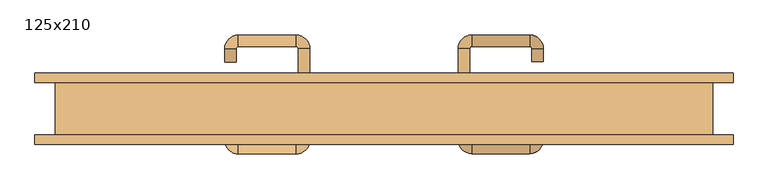
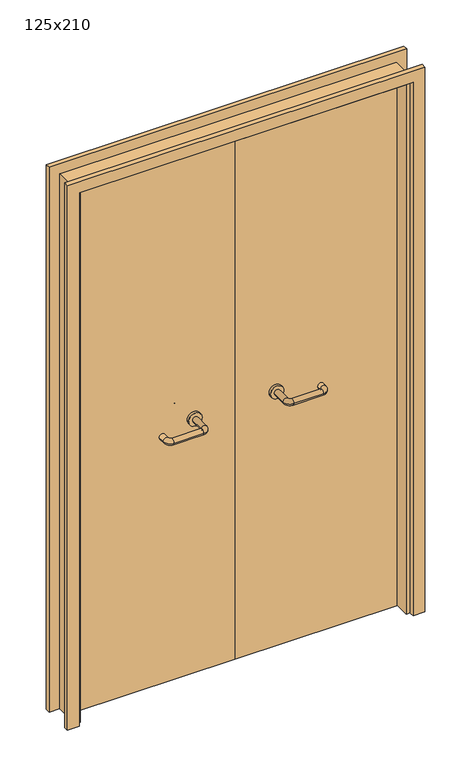
"""IFC4 building model written with IfcOpenShell, lengths in millimetres: door geometry, 125x210."""

import ifcopenshell
import ifcopenshell.guid

model = None  # the IFC model being written
_history = None  # IfcOwnerHistory: only IFC2X3 demands one
_inside = {}  # id of a spatial element -> (the spatial element, [elements in it])
_under = {}  # id of a project, library or spatial element -> (it, [spatial elements below it])
_declared = {}  # id of a project -> (the project, [libraries it declares])
_typed = {}  # id of a type object -> (the type object, [elements of that type])
_made_of = {}  # id of a material, layer set ... -> (it, [elements and type objects made of it])


def new_model(schema):
    """Start an empty IFC model of exactly this schema.

    Asked for "IFC4X3", IfcOpenShell would pick the latest addendum, in which some entities
    have other attributes; the version numbers below select the first issue.
    IFC2X3 requires an IfcOwnerHistory on every rooted entity: one is made here for all.
    """
    global model, _history
    if schema == "IFC4X3":
        model = ifcopenshell.file(schema_version=(4, 3, 0, 0))
    else:
        model = ifcopenshell.file(schema=schema)
    _inside.clear()
    _under.clear()
    _declared.clear()
    _typed.clear()
    _made_of.clear()
    _history = None
    if model.schema == "IFC2X3":
        org = make("IfcOrganization", Name="unknown")
        user = make(
            "IfcPersonAndOrganization",
            ThePerson=make("IfcPerson", FamilyName="unknown"),
            TheOrganization=org,
        )
        app = make(
            "IfcApplication",
            ApplicationDeveloper=org,
            Version="unknown",
            ApplicationFullName="unknown",
            ApplicationIdentifier="unknown",
        )
        _history = make(
            "IfcOwnerHistory",
            OwningUser=user,
            OwningApplication=app,
            ChangeAction="ADDED",
            CreationDate=0,
        )
    return model


def make(cls, **values):
    """One entity of the class cls with the attributes given. An attribute that is None is left unset."""
    return model.create_entity(
        cls, **{name: value for name, value in values.items() if value is not None}
    )


def rooted(cls, **values):
    """An entity with a GlobalId (a new one), such as an element, a storey or a relation."""
    return make(cls, GlobalId=ifcopenshell.guid.new(), OwnerHistory=_history, **values)


def si_unit(unit_type, name, prefix=None):
    """IfcSIUnit, for example si_unit("LENGTHUNIT", "METRE", prefix="MILLI")."""
    return make("IfcSIUnit", UnitType=unit_type, Prefix=prefix, Name=name)


def assignment(units):
    """IfcUnitAssignment: the units of a project."""
    return None if units is None else make("IfcUnitAssignment", Units=units)


def point(xyz):
    """IfcCartesianPoint."""
    return None if xyz is None else make("IfcCartesianPoint", Coordinates=xyz)


def direction(xyz):
    """IfcDirection."""
    return None if xyz is None else make("IfcDirection", DirectionRatios=xyz)


def frame(location, z_axis=None, x_axis=None):
    """IfcAxis2Placement3D, a coordinate frame: its origin and axes. An axis left out is left unset."""
    return make(
        "IfcAxis2Placement3D",
        Location=point(location),
        Axis=direction(z_axis),
        RefDirection=direction(x_axis),
    )


def frame_2d(location, x_axis=None):
    """IfcAxis2Placement2D, a coordinate frame in the plane: its origin and x axis."""
    return make(
        "IfcAxis2Placement2D", Location=point(location), RefDirection=direction(x_axis)
    )


def origin():
    """The frame at (0, 0, 0) with its axes left unset."""
    return frame((0.0, 0.0, 0.0))


def place(relative_to, where):
    """IfcLocalPlacement: puts the frame where relative to a parent placement (None: the world)."""
    return make(
        "IfcLocalPlacement", PlacementRelTo=relative_to, RelativePlacement=where
    )


def context(
    kind, dimensions, precision=None, world=None, true_north=None, identifier=None
):
    """IfcGeometricRepresentationContext, for example the 3D "Model" context."""
    return make(
        "IfcGeometricRepresentationContext",
        ContextIdentifier=identifier,
        ContextType=kind,
        CoordinateSpaceDimension=dimensions,
        Precision=precision,
        WorldCoordinateSystem=world,
        TrueNorth=true_north,
    )


def project(units=None, contexts=None):
    """IfcProject with its units and contexts."""
    return rooted(
        "IfcProject",
        Name="project",
        RepresentationContexts=contexts,
        UnitsInContext=assignment(units),
    )


def spatial(cls, under=None, at=None, **own):
    """A site, building, storey or space (cls), placed at a placement, below another one or the project."""
    s = rooted(cls, ObjectPlacement=at, **own)
    if under is not None:
        _under.setdefault(under.id(), (under, []))[1].append(s)
    return s


def polyline(points):
    """IfcPolyline through the points."""
    return make("IfcPolyline", Points=[point(p) for p in points])


def circle_curve(where, radius):
    """IfcCircle in the frame where."""
    return make("IfcCircle", Position=where, Radius=radius)


def ellipse_curve(where, semi_axis1, semi_axis2):
    """IfcEllipse in the frame where."""
    return make(
        "IfcEllipse", Position=where, SemiAxis1=semi_axis1, SemiAxis2=semi_axis2
    )


def trimmed(basis, trim1, trim2, sense, master):
    """IfcTrimmedCurve: the piece of a basis curve between two trims."""
    return make(
        "IfcTrimmedCurve",
        BasisCurve=basis,
        Trim1=trim1,
        Trim2=trim2,
        SenseAgreement=sense,
        MasterRepresentation=master,
    )


def segment(curve, same_sense, transition):
    """IfcCompositeCurveSegment."""
    return make(
        "IfcCompositeCurveSegment",
        Transition=transition,
        SameSense=same_sense,
        ParentCurve=curve,
    )


def composite_curve(segments, self_intersect=None):
    """IfcCompositeCurve: segments joined end to end."""
    return make("IfcCompositeCurve", Segments=segments, SelfIntersect=self_intersect)


def outline(outer, holes=None, kind="AREA"):
    """IfcArbitraryClosedProfileDef: a profile drawn as a closed curve; with holes, ...WithVoids."""
    if holes is None:
        return make("IfcArbitraryClosedProfileDef", ProfileType=kind, OuterCurve=outer)
    return make(
        "IfcArbitraryProfileDefWithVoids",
        ProfileType=kind,
        OuterCurve=outer,
        InnerCurves=holes,
    )


def extrude(swept, where, along, depth):
    """IfcExtrudedAreaSolid: the profile swept, set in the frame where, extruded along a direction by depth."""
    return make(
        "IfcExtrudedAreaSolid",
        SweptArea=swept,
        Position=where,
        ExtrudedDirection=direction(along),
        Depth=depth,
    )


def shape(context_of_items, identifier, shape_type, items):
    """IfcShapeRepresentation: the items that make up one representation, for example the "Body"."""
    return make(
        "IfcShapeRepresentation",
        ContextOfItems=context_of_items,
        RepresentationIdentifier=identifier,
        RepresentationType=shape_type,
        Items=items,
    )


def source(mapping_origin, context_of_items, identifier, shape_type, items):
    """IfcRepresentationMap: a shape defined once, which mapped items show again and again."""
    return make(
        "IfcRepresentationMap",
        MappingOrigin=mapping_origin,
        MappedRepresentation=shape(context_of_items, identifier, shape_type, items),
    )


def transform(
    local_origin,
    x_axis=None,
    y_axis=None,
    z_axis=None,
    scale=None,
    scale2=None,
    scale3=None,
    uniform=True,
):
    """IfcCartesianTransformationOperator3D, or its non-uniform kind. x_axis, y_axis, z_axis: its Axis1, 2, 3."""
    if uniform:
        return make(
            "IfcCartesianTransformationOperator3D",
            Axis1=direction(x_axis),
            Axis2=direction(y_axis),
            LocalOrigin=point(local_origin),
            Scale=scale,
            Axis3=direction(z_axis),
        )
    return make(
        "IfcCartesianTransformationOperator3DnonUniform",
        Axis1=direction(x_axis),
        Axis2=direction(y_axis),
        LocalOrigin=point(local_origin),
        Scale=scale,
        Axis3=direction(z_axis),
        Scale2=scale2,
        Scale3=scale3,
    )


def mapped(mapping_source, mapping_target):
    """IfcMappedItem: shows the shape of a source again, moved by a transform."""
    return make(
        "IfcMappedItem", MappingSource=mapping_source, MappingTarget=mapping_target
    )


def made_of(thing, what):
    """Note that an element or type object is made of a material, layer set ...; save() writes the relation."""
    if what is not None:
        _made_of.setdefault(what.id(), (what, []))[1].append(thing)
    return thing


def element(
    cls,
    number,
    at=None,
    inside=None,
    cuts=None,
    type_object=None,
    material=None,
    context=None,
    identifier="Body",
    shape_type=None,
    held_by="IfcProductDefinitionShape",
    body=None,
    shapes=None,
    **own,
):
    """One element of the class cls, such as IfcWall. Its Tag is "e" and its number.

    at: its placement. inside: the storey or other place that contains it. cuts: it is an
    opening in that element (IfcRelVoidsElement). A single representation is given by context,
    identifier, shape_type and body (its items); several are given by shapes. held_by: the class
    of the entity that holds the representations. save() writes the other relations.
    """
    e = rooted(cls, Tag="e%d" % number, ObjectPlacement=at, **own)
    if body is not None:
        shapes = [shape(context, identifier, shape_type, body)]
    if shapes is not None:
        e.Representation = make(held_by, Representations=shapes)
    if inside is not None:
        _inside.setdefault(inside.id(), (inside, []))[1].append(e)
    if cuts is not None:
        rooted(
            "IfcRelVoidsElement", RelatingBuildingElement=cuts, RelatedOpeningElement=e
        )
    if type_object is not None:
        _typed.setdefault(type_object.id(), (type_object, []))[1].append(e)
    return made_of(e, material)


def aggregate(whole, parts):
    """IfcRelAggregates: a whole, such as a stair, and the parts it consists of."""
    return rooted("IfcRelAggregates", RelatingObject=whole, RelatedObjects=parts)


def save(model, path):
    """Write the relations noted so far, then the file.

    IfcRelAggregates (storeys below a building ...), IfcRelContainedInSpatialStructure (elements
    in a storey), IfcRelDefinesByType, IfcRelAssociatesMaterial and IfcRelDeclares: one each for
    every whole, place, type object, material and project.
    """
    for whole, parts in _under.values():
        aggregate(whole, parts)
    for where, things in _inside.values():
        rooted(
            "IfcRelContainedInSpatialStructure",
            RelatedElements=things,
            RelatingStructure=where,
        )
    for kind, things in _typed.values():
        rooted("IfcRelDefinesByType", RelatedObjects=things, RelatingType=kind)
    for what, things in _made_of.values():
        rooted("IfcRelAssociatesMaterial", RelatedObjects=things, RelatingMaterial=what)
    for by, libraries in _declared.values():
        rooted("IfcRelDeclares", RelatingContext=by, RelatedDefinitions=libraries)
    model.write(path)


def plane_surface(at):
    """IfcPlane: the flat surface through the origin of the frame at, square to its z axis."""
    return make("IfcPlane", Position=at)


def cylinder_surface(at, radius):
    """IfcCylindricalSurface: all points at the distance radius from the z axis of the frame at."""
    return make("IfcCylindricalSurface", Position=at, Radius=radius)


def revolved_surface(curve, axis_point, axis_direction):
    """IfcSurfaceOfRevolution: the curve turned about the line through axis_point along axis_direction."""
    return make(
        "IfcSurfaceOfRevolution",
        SweptCurve=make("IfcArbitraryOpenProfileDef", ProfileType="CURVE", Curve=curve),
        AxisPosition=make("IfcAxis1Placement", Location=point(axis_point), Axis=direction(axis_direction)),
    )


def advanced_brep(points, edges, surfaces, faces):
    """IfcAdvancedBrep: a solid bounded by faces that lie on surfaces and meet in shared edges.

    An edge is (start, end): straight between two places in points (the first is 0);
    or (start, end, curve); or (start, end, curve, False) where it runs against its curve.
    A face is (place in surfaces, loops), or (place, loops, False) where it looks against
    its surface's normal. A loop lists edges by number (the first is 1), with a minus sign
    where the edge is run from its end to its start. The first loop is the outer one.
    """
    corners = [point(p) for p in points]
    vertices = [make("IfcVertexPoint", VertexGeometry=c) for c in corners]
    made = []
    for start, end, *more in edges:
        made.append(
            make(
                "IfcEdgeCurve",
                EdgeStart=vertices[start],
                EdgeEnd=vertices[end],
                EdgeGeometry=more[0] if more else make("IfcPolyline", Points=[corners[start], corners[end]]),
                SameSense=more[1] if len(more) > 1 else True,
            )
        )
    hull = []
    for where, loops, *sense in faces:
        bounds = []
        for j, loop in enumerate(loops):
            ring = [make("IfcOrientedEdge", EdgeElement=made[abs(k) - 1], Orientation=k > 0) for k in loop]
            bounds.append(
                make(
                    "IfcFaceOuterBound" if j == 0 else "IfcFaceBound",
                    Bound=make("IfcEdgeLoop", EdgeList=ring),
                    Orientation=True,
                )
            )
        hull.append(make("IfcAdvancedFace", Bounds=bounds, FaceSurface=surfaces[where], SameSense=sense[0] if sense else True))
    return make("IfcAdvancedBrep", Outer=make("IfcClosedShell", CfsFaces=hull))


def door_125x210_bba986c8(model_context):
    return source(origin(), model_context, "Body", "SolidModel", [
        extrude(outline(polyline([(2139.0, 664.0), (2139.0, -664.0), (0.0, -664.0), (0.0, -620.0), (2095.0, -620.0), (2095.0, 620.0), (0.0, 620.0), (0.0, 664.0), (2139.0, 664.0)])), frame((0.0, 50.0, 0.0), z_axis=(0.0, 1.0, 0.0), x_axis=(0.0, 0.0, 1.0)), (0.0, 0.0, 1.0), 18.0),
        extrude(outline(polyline([(2139.0, -664.0), (0.0, -664.0), (0.0, -620.0), (2095.0, -620.0), (2095.0, 620.0), (0.0, 620.0), (0.0, 664.0), (2139.0, 664.0), (2139.0, -664.0)])), frame((0.0, -68.0, 0.0), z_axis=(0.0, 1.0, 0.0), x_axis=(0.0, 0.0, 1.0)), (0.0, 0.0, 1.0), 18.0),
        extrude(outline(polyline([(2100.0, -625.0), (0.0, -625.0), (0.0, -605.0), (2080.0, -605.0), (2080.0, 605.0), (0.0, 605.0), (0.0, 625.0), (2100.0, 625.0), (2100.0, -625.0)])), frame((0.0, -49.0, 0.0), z_axis=(0.0, 1.0, 0.0), x_axis=(0.0, 0.0, 1.0)), (0.0, 0.0, 1.0), 99.0),
        advanced_brep(
        [(140.99898, -4.0, 1003.0), (162.99898, -4.0, 1003.0), (140.99898, -59.3525369, 1003.0), (162.99898, -59.3525369, 1003.0), (166.99898, -63.3525369, 1003.0), (166.99898, -85.3525369, 1003.0), (276.99898, -85.3525369, 1003.0), (276.99898, -63.3525369, 1003.0), (280.99898, -59.3525369, 1003.0), (302.99898, -59.3525369, 1003.0), (302.99898, -42.0, 1003.0), (280.99898, -42.0, 1003.0)],
        [
            (0, 1, circle_curve(frame((151.99898, -4.0, 1003.0), z_axis=(0.0, 1.0, 0.0), x_axis=(1.0, 0.0, 0.0)), 11.0)),
            (1, 0, circle_curve(frame((151.99898, -4.0, 1003.0), z_axis=(0.0, 1.0, 0.0), x_axis=(1.0, 0.0, 0.0)), 11.0)),
            (0, 2),
            (2, 3, circle_curve(frame((151.99898, -59.3525369, 1003.0), z_axis=(0.0, 1.0, 0.0), x_axis=(1.0, 0.0, 0.0)), 11.0)),
            (3, 1),
            (3, 2, circle_curve(frame((151.99898, -59.3525369, 1003.0), z_axis=(0.0, 1.0, 0.0), x_axis=(1.0, 0.0, 0.0)), 11.0)),
            (4, 3, circle_curve(frame((166.99898, -59.3525369, 1003.0), z_axis=(0.0, 0.0, -1.0), x_axis=(-1.0, 0.0, 0.0)), 4.0)),
            (2, 5, circle_curve(frame((166.99898, -59.3525369, 1003.0), z_axis=(0.0, 0.0, 1.0), x_axis=(-1.0, 0.0, 0.0)), 26.0)),
            (5, 4, circle_curve(frame((166.99898, -74.3525369, 1003.0), z_axis=(-1.0, 0.0, 0.0), x_axis=(0.0, 1.0, 0.0)), 11.0)),
            (4, 5, circle_curve(frame((166.99898, -74.3525369, 1003.0), z_axis=(-1.0, 0.0, 0.0), x_axis=(0.0, 1.0, 0.0)), 11.0)),
            (5, 6),
            (6, 7, circle_curve(frame((276.99898, -74.3525369, 1003.0), z_axis=(-1.0, 0.0, 0.0), x_axis=(0.0, 1.0, 0.0)), 11.0)),
            (7, 4),
            (7, 6, circle_curve(frame((276.99898, -74.3525369, 1003.0), z_axis=(-1.0, 0.0, 0.0), x_axis=(0.0, 1.0, 0.0)), 11.0)),
            (8, 7, circle_curve(frame((276.99898, -59.3525369, 1003.0), z_axis=(0.0, 0.0, -1.0), x_axis=(0.0, -1.0, 0.0)), 4.0)),
            (6, 9, circle_curve(frame((276.99898, -59.3525369, 1003.0), z_axis=(0.0, 0.0, 1.0), x_axis=(0.0, -1.0, 0.0)), 26.0)),
            (9, 8, circle_curve(frame((291.99898, -59.3525369, 1003.0), z_axis=(0.0, -1.0, 0.0), x_axis=(-1.0, 0.0, 0.0)), 11.0)),
            (8, 9, circle_curve(frame((291.99898, -59.3525369, 1003.0), z_axis=(0.0, -1.0, 0.0), x_axis=(-1.0, 0.0, 0.0)), 11.0)),
            (10, 11, circle_curve(frame((291.99898, -42.0, 1003.0), z_axis=(0.0, 1.0, 0.0), x_axis=(-1.0, 0.0, 0.0)), 11.0)),
            (11, 10, circle_curve(frame((291.99898, -42.0, 1003.0), z_axis=(0.0, 1.0, 0.0), x_axis=(-1.0, 0.0, 0.0)), 11.0)),
            (9, 10),
            (11, 8),
        ],
        [
            plane_surface(frame((140.99898, -4.0, 1003.0), z_axis=(0.0, 1.0, 0.0), x_axis=(0.0, 0.0, -1.0))),
            cylinder_surface(frame((151.99898, -4.0, 1003.0), z_axis=(0.0, 1.0, 0.0), x_axis=(1.0, 0.0, 0.0)), 11.0),
            revolved_surface(trimmed(ellipse_curve(frame((151.99898, -59.3525369, 1003.0), z_axis=(0.0, 1.0, 0.0), x_axis=(1.0, 0.0, 0.0)), 11.0, 11.0), [point((140.99898, -59.3525369, 1003.0))], [point((162.99898, -59.3525369, 1003.0))], True, "CARTESIAN"), (166.99898, -59.3525369, 1003.0), (0.0, 0.0, 1.0)),
            revolved_surface(trimmed(ellipse_curve(frame((151.99898, -59.3525369, 1003.0), z_axis=(0.0, 1.0, 0.0), x_axis=(1.0, 0.0, 0.0)), 11.0, 11.0), [point((162.99898, -59.3525369, 1003.0))], [point((140.99898, -59.3525369, 1003.0))], True, "CARTESIAN"), (166.99898, -59.3525369, 1003.0), (0.0, 0.0, 1.0)),
            cylinder_surface(frame((166.99898, -74.3525369, 1003.0), z_axis=(-1.0, 0.0, 0.0), x_axis=(0.0, 1.0, 0.0)), 11.0),
            revolved_surface(trimmed(ellipse_curve(frame((276.99898, -74.3525369, 1003.0), z_axis=(-1.0, 0.0, 0.0), x_axis=(0.0, 1.0, 0.0)), 11.0, 11.0), [point((276.99898, -85.3525369, 1003.0))], [point((276.99898, -63.3525369, 1003.0))], True, "CARTESIAN"), (276.99898, -59.3525369, 1003.0), (0.0, 0.0, 1.0)),
            revolved_surface(trimmed(ellipse_curve(frame((276.99898, -74.3525369, 1003.0), z_axis=(-1.0, 0.0, 0.0), x_axis=(0.0, 1.0, 0.0)), 11.0, 11.0), [point((276.99898, -63.3525369, 1003.0))], [point((276.99898, -85.3525369, 1003.0))], True, "CARTESIAN"), (276.99898, -59.3525369, 1003.0), (0.0, 0.0, 1.0)),
            plane_surface(frame((280.99898, -42.0, 1003.0), z_axis=(0.0, 1.0, 0.0), x_axis=(0.0, 0.0, 1.0))),
            cylinder_surface(frame((291.99898, -59.3525369, 1003.0), z_axis=(0.0, -1.0, 0.0), x_axis=(-1.0, 0.0, 0.0)), 11.0),
        ],
        [
            (0, [[1, 2]]),
            (1, [[-1, 3, 4, 5]]),
            (1, [[-2, -5, 6, -3]]),
            (2, [[7, -4, 8, 9]]),
            (3, [[-8, -6, -7, 10]]),
            (4, [[-9, 11, 12, 13]]),
            (4, [[-10, -13, 14, -11]]),
            (5, [[15, -12, 16, 17]]),
            (6, [[-16, -14, -15, 18]]),
            (7, [[19, 20]]),
            (8, [[-17, 21, -20, 22]]),
            (8, [[-18, -22, -19, -21]]),
        ],
    ),
        extrude(outline(composite_curve([segment(trimmed(circle_curve(frame_2d((1003.0, 151.99898)), 25.0), [point((1003.0, 126.99898))], [point((1003.0, 176.99898))], False, "CARTESIAN"), True, "CONTINUOUS"), segment(trimmed(circle_curve(frame_2d((1003.0, 151.99898)), 25.0), [point((1003.0, 176.99898))], [point((1003.0, 126.99898))], False, "CARTESIAN"), True, "CONTINUOUS")], self_intersect=False)), frame((0.0, -4.0, 0.0), z_axis=(0.0, 1.0, 0.0), x_axis=(0.0, 0.0, 1.0)), (0.0, 0.0, 1.0), 10.0),
        advanced_brep(
        [(162.99898, 60.0, 1003.0), (140.99898, 60.0, 1003.0), (162.99898, 115.0, 1003.0), (140.99898, 115.0, 1003.0), (166.99898, 141.0, 1003.0), (166.99898, 119.0, 1003.0), (276.99898, 119.0, 1003.0), (276.99898, 141.0, 1003.0), (302.99898, 115.0, 1003.0), (280.99898, 115.0, 1003.0), (280.99898, 90.0, 1003.0), (302.99898, 90.0, 1003.0)],
        [
            (0, 1, circle_curve(frame((151.99898, 60.0, 1003.0), z_axis=(0.0, -1.0, 0.0), x_axis=(-1.0, 0.0, 0.0)), 11.0)),
            (1, 0, circle_curve(frame((151.99898, 60.0, 1003.0), z_axis=(0.0, -1.0, 0.0), x_axis=(-1.0, 0.0, 0.0)), 11.0)),
            (0, 2),
            (2, 3, circle_curve(frame((151.99898, 115.0, 1003.0), z_axis=(0.0, -1.0, 0.0), x_axis=(-1.0, 0.0, 0.0)), 11.0)),
            (3, 1),
            (3, 2, circle_curve(frame((151.99898, 115.0, 1003.0), z_axis=(0.0, -1.0, 0.0), x_axis=(-1.0, 0.0, 0.0)), 11.0)),
            (4, 3, circle_curve(frame((166.99898, 115.0, 1003.0), z_axis=(0.0, 0.0, 1.0), x_axis=(-1.0, 0.0, 0.0)), 26.0)),
            (2, 5, circle_curve(frame((166.99898, 115.0, 1003.0), z_axis=(0.0, 0.0, -1.0), x_axis=(-1.0, 0.0, 0.0)), 4.0)),
            (5, 4, circle_curve(frame((166.99898, 130.0, 1003.0), z_axis=(-1.0, 0.0, 0.0), x_axis=(0.0, 1.0, 0.0)), 11.0)),
            (4, 5, circle_curve(frame((166.99898, 130.0, 1003.0), z_axis=(-1.0, 0.0, 0.0), x_axis=(0.0, 1.0, 0.0)), 11.0)),
            (5, 6),
            (6, 7, circle_curve(frame((276.99898, 130.0, 1003.0), z_axis=(-1.0, 0.0, 0.0), x_axis=(0.0, 1.0, 0.0)), 11.0)),
            (7, 4),
            (7, 6, circle_curve(frame((276.99898, 130.0, 1003.0), z_axis=(-1.0, 0.0, 0.0), x_axis=(0.0, 1.0, 0.0)), 11.0)),
            (8, 7, circle_curve(frame((276.99898, 115.0, 1003.0), z_axis=(0.0, 0.0, 1.0), x_axis=(0.0, 1.0, 0.0)), 26.0)),
            (6, 9, circle_curve(frame((276.99898, 115.0, 1003.0), z_axis=(0.0, 0.0, -1.0), x_axis=(0.0, 1.0, 0.0)), 4.0)),
            (9, 8, circle_curve(frame((291.99898, 115.0, 1003.0), z_axis=(0.0, 1.0, 0.0), x_axis=(1.0, 0.0, 0.0)), 11.0)),
            (8, 9, circle_curve(frame((291.99898, 115.0, 1003.0), z_axis=(0.0, 1.0, 0.0), x_axis=(1.0, 0.0, 0.0)), 11.0)),
            (10, 11, circle_curve(frame((291.99898, 90.0, 1003.0), z_axis=(0.0, -1.0, 0.0), x_axis=(1.0, 0.0, 0.0)), 11.0)),
            (11, 10, circle_curve(frame((291.99898, 90.0, 1003.0), z_axis=(0.0, -1.0, 0.0), x_axis=(1.0, 0.0, 0.0)), 11.0)),
            (9, 10),
            (11, 8),
        ],
        [
            plane_surface(frame((140.99898, 60.0, 1003.0), z_axis=(0.0, -1.0, 0.0), x_axis=(0.0, 0.0, 1.0))),
            cylinder_surface(frame((151.99898, 60.0, 1003.0), z_axis=(0.0, -1.0, 0.0), x_axis=(-1.0, 0.0, 0.0)), 11.0),
            revolved_surface(trimmed(ellipse_curve(frame((151.99898, 115.0, 1003.0), z_axis=(0.0, -1.0, 0.0), x_axis=(-1.0, 0.0, 0.0)), 11.0, 11.0), [point((162.99898, 115.0, 1003.0))], [point((140.99898, 115.0, 1003.0))], True, "CARTESIAN"), (166.99898, 115.0, 1003.0), (0.0, 0.0, -1.0)),
            revolved_surface(trimmed(ellipse_curve(frame((151.99898, 115.0, 1003.0), z_axis=(0.0, -1.0, 0.0), x_axis=(-1.0, 0.0, 0.0)), 11.0, 11.0), [point((140.99898, 115.0, 1003.0))], [point((162.99898, 115.0, 1003.0))], True, "CARTESIAN"), (166.99898, 115.0, 1003.0), (0.0, 0.0, -1.0)),
            cylinder_surface(frame((166.99898, 130.0, 1003.0), z_axis=(-1.0, 0.0, 0.0), x_axis=(0.0, 1.0, 0.0)), 11.0),
            revolved_surface(trimmed(ellipse_curve(frame((276.99898, 130.0, 1003.0), z_axis=(-1.0, 0.0, 0.0), x_axis=(0.0, 1.0, 0.0)), 11.0, 11.0), [point((276.99898, 119.0, 1003.0))], [point((276.99898, 141.0, 1003.0))], True, "CARTESIAN"), (276.99898, 115.0, 1003.0), (0.0, 0.0, -1.0)),
            revolved_surface(trimmed(ellipse_curve(frame((276.99898, 130.0, 1003.0), z_axis=(-1.0, 0.0, 0.0), x_axis=(0.0, 1.0, 0.0)), 11.0, 11.0), [point((276.99898, 141.0, 1003.0))], [point((276.99898, 119.0, 1003.0))], True, "CARTESIAN"), (276.99898, 115.0, 1003.0), (0.0, 0.0, -1.0)),
            plane_surface(frame((280.99898, 90.0, 1003.0), z_axis=(0.0, -1.0, 0.0), x_axis=(0.0, 0.0, -1.0))),
            cylinder_surface(frame((291.99898, 115.0, 1003.0), z_axis=(0.0, 1.0, 0.0), x_axis=(1.0, 0.0, 0.0)), 11.0),
        ],
        [
            (0, [[1, 2]]),
            (1, [[-1, 3, 4, 5]]),
            (1, [[-2, -5, 6, -3]]),
            (2, [[7, -4, 8, 9]]),
            (3, [[-8, -6, -7, 10]]),
            (4, [[-9, 11, 12, 13]]),
            (4, [[-10, -13, 14, -11]]),
            (5, [[15, -12, 16, 17]]),
            (6, [[-16, -14, -15, 18]]),
            (7, [[19, 20]]),
            (8, [[-17, 21, -20, 22]]),
            (8, [[-18, -22, -19, -21]]),
        ],
    ),
        extrude(outline(composite_curve([segment(trimmed(circle_curve(frame_2d((1003.0, 151.99898)), 25.0), [point((1003.0, 176.99898))], [point((1003.0, 126.99898))], False, "CARTESIAN"), True, "CONTINUOUS"), segment(trimmed(circle_curve(frame_2d((1003.0, 151.99898)), 25.0), [point((1003.0, 126.99898))], [point((1003.0, 176.99898))], False, "CARTESIAN"), True, "CONTINUOUS")], self_intersect=False)), frame((0.0, 50.0, 0.0), z_axis=(0.0, 1.0, 0.0), x_axis=(0.0, 0.0, 1.0)), (0.0, 0.0, 1.0), 10.0),
        advanced_brep(
        [(-162.99898, -4.3113879, 1003.0), (-140.99898, -4.3113879, 1003.0), (-162.99898, -59.7220447, 1003.0), (-140.99898, -59.7220447, 1003.0), (-166.99898, -85.7220447, 1003.0), (-166.99898, -63.7220447, 1003.0), (-276.99898, -63.7220447, 1003.0), (-276.99898, -85.7220447, 1003.0), (-302.99898, -59.7220447, 1003.0), (-280.99898, -59.7220447, 1003.0), (-280.99898, -34.7220447, 1003.0), (-302.99898, -34.7220447, 1003.0)],
        [
            (0, 1, circle_curve(frame((-151.99898, -4.3113879, 1003.0), z_axis=(0.0, 1.0, 0.0), x_axis=(1.0, 0.0, 0.0)), 11.0)),
            (1, 0, circle_curve(frame((-151.99898, -4.3113879, 1003.0), z_axis=(0.0, 1.0, 0.0), x_axis=(1.0, 0.0, 0.0)), 11.0)),
            (0, 2),
            (2, 3, circle_curve(frame((-151.99898, -59.7220447, 1003.0), z_axis=(0.0, 1.0, 0.0), x_axis=(1.0, 0.0, 0.0)), 11.0)),
            (3, 1),
            (3, 2, circle_curve(frame((-151.99898, -59.7220447, 1003.0), z_axis=(0.0, 1.0, 0.0), x_axis=(1.0, 0.0, 0.0)), 11.0)),
            (4, 3, circle_curve(frame((-166.99898, -59.7220447, 1003.0), z_axis=(0.0, 0.0, 1.0), x_axis=(1.0, 0.0, 0.0)), 26.0)),
            (2, 5, circle_curve(frame((-166.99898, -59.7220447, 1003.0), z_axis=(0.0, 0.0, -1.0), x_axis=(1.0, 0.0, 0.0)), 4.0)),
            (5, 4, circle_curve(frame((-166.99898, -74.7220447, 1003.0), z_axis=(1.0, 0.0, 0.0), x_axis=(0.0, -1.0, 0.0)), 11.0)),
            (4, 5, circle_curve(frame((-166.99898, -74.7220447, 1003.0), z_axis=(1.0, 0.0, 0.0), x_axis=(0.0, -1.0, 0.0)), 11.0)),
            (5, 6),
            (6, 7, circle_curve(frame((-276.99898, -74.7220447, 1003.0), z_axis=(1.0, 0.0, 0.0), x_axis=(0.0, -1.0, 0.0)), 11.0)),
            (7, 4),
            (7, 6, circle_curve(frame((-276.99898, -74.7220447, 1003.0), z_axis=(1.0, 0.0, 0.0), x_axis=(0.0, -1.0, 0.0)), 11.0)),
            (8, 7, circle_curve(frame((-276.99898, -59.7220447, 1003.0), z_axis=(0.0, 0.0, 1.0), x_axis=(0.0, -1.0, 0.0)), 26.0)),
            (6, 9, circle_curve(frame((-276.99898, -59.7220447, 1003.0), z_axis=(0.0, 0.0, -1.0), x_axis=(0.0, -1.0, 0.0)), 4.0)),
            (9, 8, circle_curve(frame((-291.99898, -59.7220447, 1003.0), z_axis=(0.0, -1.0, 0.0), x_axis=(-1.0, 0.0, 0.0)), 11.0)),
            (8, 9, circle_curve(frame((-291.99898, -59.7220447, 1003.0), z_axis=(0.0, -1.0, 0.0), x_axis=(-1.0, 0.0, 0.0)), 11.0)),
            (10, 11, circle_curve(frame((-291.99898, -34.7220447, 1003.0), z_axis=(0.0, 1.0, 0.0), x_axis=(-1.0, 0.0, 0.0)), 11.0)),
            (11, 10, circle_curve(frame((-291.99898, -34.7220447, 1003.0), z_axis=(0.0, 1.0, 0.0), x_axis=(-1.0, 0.0, 0.0)), 11.0)),
            (9, 10),
            (11, 8),
        ],
        [
            plane_surface(frame((-162.99898, -4.3113879, 1003.0), z_axis=(0.0, 1.0, 0.0), x_axis=(0.0, 0.0, -1.0))),
            cylinder_surface(frame((-151.99898, -4.3113879, 1003.0), z_axis=(0.0, 1.0, 0.0), x_axis=(1.0, 0.0, 0.0)), 11.0),
            revolved_surface(trimmed(ellipse_curve(frame((-151.99898, -59.7220447, 1003.0), z_axis=(0.0, 1.0, 0.0), x_axis=(1.0, 0.0, 0.0)), 11.0, 11.0), [point((-162.99898, -59.7220447, 1003.0))], [point((-140.99898, -59.7220447, 1003.0))], True, "CARTESIAN"), (-166.99898, -59.7220447, 1003.0), (0.0, 0.0, -1.0)),
            revolved_surface(trimmed(ellipse_curve(frame((-151.99898, -59.7220447, 1003.0), z_axis=(0.0, 1.0, 0.0), x_axis=(1.0, 0.0, 0.0)), 11.0, 11.0), [point((-140.99898, -59.7220447, 1003.0))], [point((-162.99898, -59.7220447, 1003.0))], True, "CARTESIAN"), (-166.99898, -59.7220447, 1003.0), (0.0, 0.0, -1.0)),
            cylinder_surface(frame((-166.99898, -74.7220447, 1003.0), z_axis=(1.0, 0.0, 0.0), x_axis=(0.0, -1.0, 0.0)), 11.0),
            revolved_surface(trimmed(ellipse_curve(frame((-276.99898, -74.7220447, 1003.0), z_axis=(1.0, 0.0, 0.0), x_axis=(0.0, -1.0, 0.0)), 11.0, 11.0), [point((-276.99898, -63.7220447, 1003.0))], [point((-276.99898, -85.7220447, 1003.0))], True, "CARTESIAN"), (-276.99898, -59.7220447, 1003.0), (0.0, 0.0, -1.0)),
            revolved_surface(trimmed(ellipse_curve(frame((-276.99898, -74.7220447, 1003.0), z_axis=(1.0, 0.0, 0.0), x_axis=(0.0, -1.0, 0.0)), 11.0, 11.0), [point((-276.99898, -85.7220447, 1003.0))], [point((-276.99898, -63.7220447, 1003.0))], True, "CARTESIAN"), (-276.99898, -59.7220447, 1003.0), (0.0, 0.0, -1.0)),
            plane_surface(frame((-302.99898, -34.7220447, 1003.0), z_axis=(0.0, 1.0, 0.0), x_axis=(0.0, 0.0, 1.0))),
            cylinder_surface(frame((-291.99898, -59.7220447, 1003.0), z_axis=(0.0, -1.0, 0.0), x_axis=(-1.0, 0.0, 0.0)), 11.0),
        ],
        [
            (0, [[1, 2]]),
            (1, [[-1, 3, 4, 5]]),
            (1, [[-2, -5, 6, -3]]),
            (2, [[7, -4, 8, 9]]),
            (3, [[-8, -6, -7, 10]]),
            (4, [[-9, 11, 12, 13]]),
            (4, [[-10, -13, 14, -11]]),
            (5, [[15, -12, 16, 17]]),
            (6, [[-16, -14, -15, 18]]),
            (7, [[19, 20]]),
            (8, [[-17, 21, -20, 22]]),
            (8, [[-18, -22, -19, -21]]),
        ],
    ),
        extrude(outline(composite_curve([segment(trimmed(circle_curve(frame_2d((1003.0, -151.99898)), 25.0), [point((1003.0, -176.99898))], [point((1003.0, -126.99898))], False, "CARTESIAN"), True, "CONTINUOUS"), segment(trimmed(circle_curve(frame_2d((1003.0, -151.99898)), 25.0), [point((1003.0, -126.99898))], [point((1003.0, -176.99898))], False, "CARTESIAN"), True, "CONTINUOUS")], self_intersect=False)), frame((0.0, -4.3113879, 0.0), z_axis=(0.0, 1.0, 0.0), x_axis=(0.0, 0.0, 1.0)), (0.0, 0.0, 1.0), 10.3113879),
        advanced_brep(
        [(-140.99898, 59.5143417, 1003.0), (-162.99898, 59.5143417, 1003.0), (-140.99898, 114.6104656, 1003.0), (-162.99898, 114.6104656, 1003.0), (-166.99898, 118.6104656, 1003.0), (-166.99898, 140.6104656, 1003.0), (-276.99898, 140.6104656, 1003.0), (-276.99898, 118.6104656, 1003.0), (-280.99898, 114.6104656, 1003.0), (-302.99898, 114.6104656, 1003.0), (-302.99898, 89.6104656, 1003.0), (-280.99898, 89.6104656, 1003.0)],
        [
            (0, 1, circle_curve(frame((-151.99898, 59.5143417, 1003.0), z_axis=(0.0, -1.0, 0.0), x_axis=(-1.0, 0.0, 0.0)), 11.0)),
            (1, 0, circle_curve(frame((-151.99898, 59.5143417, 1003.0), z_axis=(0.0, -1.0, 0.0), x_axis=(-1.0, 0.0, 0.0)), 11.0)),
            (0, 2),
            (2, 3, circle_curve(frame((-151.99898, 114.6104656, 1003.0), z_axis=(0.0, -1.0, 0.0), x_axis=(-1.0, 0.0, 0.0)), 11.0)),
            (3, 1),
            (3, 2, circle_curve(frame((-151.99898, 114.6104656, 1003.0), z_axis=(0.0, -1.0, 0.0), x_axis=(-1.0, 0.0, 0.0)), 11.0)),
            (4, 3, circle_curve(frame((-166.99898, 114.6104656, 1003.0), z_axis=(0.0, 0.0, -1.0), x_axis=(1.0, 0.0, 0.0)), 4.0)),
            (2, 5, circle_curve(frame((-166.99898, 114.6104656, 1003.0), z_axis=(0.0, 0.0, 1.0), x_axis=(1.0, 0.0, 0.0)), 26.0)),
            (5, 4, circle_curve(frame((-166.99898, 129.6104656, 1003.0), z_axis=(1.0, 0.0, 0.0), x_axis=(0.0, -1.0, 0.0)), 11.0)),
            (4, 5, circle_curve(frame((-166.99898, 129.6104656, 1003.0), z_axis=(1.0, 0.0, 0.0), x_axis=(0.0, -1.0, 0.0)), 11.0)),
            (5, 6),
            (6, 7, circle_curve(frame((-276.99898, 129.6104656, 1003.0), z_axis=(1.0, 0.0, 0.0), x_axis=(0.0, -1.0, 0.0)), 11.0)),
            (7, 4),
            (7, 6, circle_curve(frame((-276.99898, 129.6104656, 1003.0), z_axis=(1.0, 0.0, 0.0), x_axis=(0.0, -1.0, 0.0)), 11.0)),
            (8, 7, circle_curve(frame((-276.99898, 114.6104656, 1003.0), z_axis=(0.0, 0.0, -1.0), x_axis=(0.0, 1.0, 0.0)), 4.0)),
            (6, 9, circle_curve(frame((-276.99898, 114.6104656, 1003.0), z_axis=(0.0, 0.0, 1.0), x_axis=(0.0, 1.0, 0.0)), 26.0)),
            (9, 8, circle_curve(frame((-291.99898, 114.6104656, 1003.0), z_axis=(0.0, 1.0, 0.0), x_axis=(1.0, 0.0, 0.0)), 11.0)),
            (8, 9, circle_curve(frame((-291.99898, 114.6104656, 1003.0), z_axis=(0.0, 1.0, 0.0), x_axis=(1.0, 0.0, 0.0)), 11.0)),
            (10, 11, circle_curve(frame((-291.99898, 89.6104656, 1003.0), z_axis=(0.0, -1.0, 0.0), x_axis=(1.0, 0.0, 0.0)), 11.0)),
            (11, 10, circle_curve(frame((-291.99898, 89.6104656, 1003.0), z_axis=(0.0, -1.0, 0.0), x_axis=(1.0, 0.0, 0.0)), 11.0)),
            (9, 10),
            (11, 8),
        ],
        [
            plane_surface(frame((-162.99898, 59.5143417, 1003.0), z_axis=(0.0, -1.0, 0.0), x_axis=(0.0, 0.0, 1.0))),
            cylinder_surface(frame((-151.99898, 59.5143417, 1003.0), z_axis=(0.0, -1.0, 0.0), x_axis=(-1.0, 0.0, 0.0)), 11.0),
            revolved_surface(trimmed(ellipse_curve(frame((-151.99898, 114.6104656, 1003.0), z_axis=(0.0, -1.0, 0.0), x_axis=(-1.0, 0.0, 0.0)), 11.0, 11.0), [point((-140.99898, 114.6104656, 1003.0))], [point((-162.99898, 114.6104656, 1003.0))], True, "CARTESIAN"), (-166.99898, 114.6104656, 1003.0), (0.0, 0.0, 1.0)),
            revolved_surface(trimmed(ellipse_curve(frame((-151.99898, 114.6104656, 1003.0), z_axis=(0.0, -1.0, 0.0), x_axis=(-1.0, 0.0, 0.0)), 11.0, 11.0), [point((-162.99898, 114.6104656, 1003.0))], [point((-140.99898, 114.6104656, 1003.0))], True, "CARTESIAN"), (-166.99898, 114.6104656, 1003.0), (0.0, 0.0, 1.0)),
            cylinder_surface(frame((-166.99898, 129.6104656, 1003.0), z_axis=(1.0, 0.0, 0.0), x_axis=(0.0, -1.0, 0.0)), 11.0),
            revolved_surface(trimmed(ellipse_curve(frame((-276.99898, 129.6104656, 1003.0), z_axis=(1.0, 0.0, 0.0), x_axis=(0.0, -1.0, 0.0)), 11.0, 11.0), [point((-276.99898, 140.6104656, 1003.0))], [point((-276.99898, 118.6104656, 1003.0))], True, "CARTESIAN"), (-276.99898, 114.6104656, 1003.0), (0.0, 0.0, 1.0)),
            revolved_surface(trimmed(ellipse_curve(frame((-276.99898, 129.6104656, 1003.0), z_axis=(1.0, 0.0, 0.0), x_axis=(0.0, -1.0, 0.0)), 11.0, 11.0), [point((-276.99898, 118.6104656, 1003.0))], [point((-276.99898, 140.6104656, 1003.0))], True, "CARTESIAN"), (-276.99898, 114.6104656, 1003.0), (0.0, 0.0, 1.0)),
            plane_surface(frame((-302.99898, 89.6104656, 1003.0), z_axis=(0.0, -1.0, 0.0), x_axis=(0.0, 0.0, -1.0))),
            cylinder_surface(frame((-291.99898, 114.6104656, 1003.0), z_axis=(0.0, 1.0, 0.0), x_axis=(1.0, 0.0, 0.0)), 11.0),
        ],
        [
            (0, [[1, 2]]),
            (1, [[-1, 3, 4, 5]]),
            (1, [[-2, -5, 6, -3]]),
            (2, [[7, -4, 8, 9]]),
            (3, [[-8, -6, -7, 10]]),
            (4, [[-9, 11, 12, 13]]),
            (4, [[-10, -13, 14, -11]]),
            (5, [[15, -12, 16, 17]]),
            (6, [[-16, -14, -15, 18]]),
            (7, [[19, 20]]),
            (8, [[-17, 21, -20, 22]]),
            (8, [[-18, -22, -19, -21]]),
        ],
    ),
        extrude(outline(composite_curve([segment(trimmed(circle_curve(frame_2d((1003.0, -151.99898)), 25.0), [point((1003.0, -126.99898))], [point((1003.0, -176.99898))], False, "CARTESIAN"), True, "CONTINUOUS"), segment(trimmed(circle_curve(frame_2d((1003.0, -151.99898)), 25.0), [point((1003.0, -176.99898))], [point((1003.0, -126.99898))], False, "CARTESIAN"), True, "CONTINUOUS")], self_intersect=False)), frame((0.0, 50.0, 0.0), z_axis=(0.0, 1.0, 0.0), x_axis=(0.0, 0.0, 1.0)), (0.0, 0.0, 1.0), 9.5143417),
        extrude(outline(polyline([(1.0739506, 6.0), (-602.0, 6.0), (-602.0, 50.0), (1.0739506, 50.0), (1.0739506, 6.0)])), frame((0.0, 0.0, 1.753223), z_axis=(0.0, 0.0, 1.0), x_axis=(1.0, 0.0, 0.0)), (0.0, 0.0, 1.0), 2078.246777),
        extrude(outline(polyline([(602.0, 6.0), (1.0739506, 6.0), (1.0739506, 50.0), (602.0, 50.0), (602.0, 6.0)])), frame((0.0, 0.0, 1.753223), z_axis=(0.0, 0.0, 1.0), x_axis=(1.0, 0.0, 0.0)), (0.0, 0.0, 1.0), 2078.246777),
    ])


if __name__ == "__main__":
    model = new_model("IFC4")
    model_context = context("Model", 3, world=origin())
    ifc_project = project(units=[si_unit("LENGTHUNIT", "METRE", prefix="MILLI")], contexts=[model_context])
    site = spatial("IfcSite", under=ifc_project)
    building = spatial("IfcBuilding", under=site)
    placement = place(None, origin())
    door_125x210_shape = door_125x210_bba986c8(model_context)
    element("IfcDoor", 1, ObjectType="125x210", at=placement, inside=building, context=model_context, shape_type="MappedRepresentation", body=[
        mapped(door_125x210_shape, transform((0.0, 0.0, 0.0), x_axis=(1.0, 0.0, 0.0), y_axis=(0.0, 1.0, 0.0), z_axis=(0.0, 0.0, 1.0))),
    ])
    save(model, "model.ifc")
